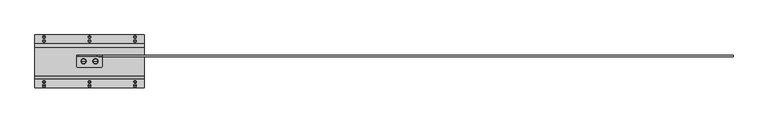
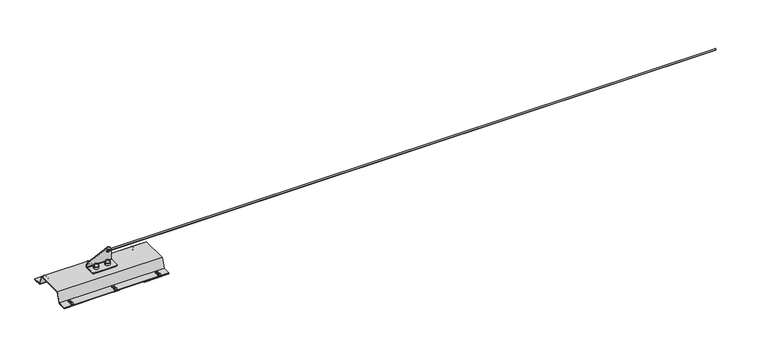
"""IFC4 building model written with IfcOpenShell, lengths in millimetres: proxy geometry."""

from ifc_helpers import new_model, si_unit, point, frame, origin, origin_with_axes, place, context, project, spatial, polyline, circle_curve, ellipse_curve, trimmed, outline, extrude, source, transform, mapped, element, save
from ifc_brep_helpers import plane_surface, cylinder_surface, revolved_surface, extruded_surface, advanced_brep


def specialty_equipment_c94d35ca(model_context):
    return source(origin(), model_context, "Body", "SolidModel", [
        advanced_brep(
        [(30.0, -27.5, 61.0), (17.0, -27.5, 61.0), (43.0, -27.5, 61.0), (41.1288682, -27.5, 74.769106), (18.8711318, -27.5, 74.769106), (30.0, -27.5, 84.5), (41.6048875, -27.5, 74.0453749), (18.3951125, -27.5, 74.0453749), (42.5150381, -27.5, 73.4985013), (17.4849619, -27.5, 73.4985013), (43.0, -27.5, 72.641334), (17.0, -27.5, 72.641334)],
        [
            (0, 1),
            (1, 2, circle_curve(frame((30.0, -27.5, 61.0), z_axis=(0.0, 0.0, -1.0), x_axis=(-1.0, 0.0, 0.0)), 13.0)),
            (2, 0),
            (2, 1, circle_curve(frame((30.0, -27.5, 61.0), z_axis=(0.0, 0.0, -1.0), x_axis=(-1.0, 0.0, 0.0)), 13.0)),
            (3, 4, circle_curve(frame((30.0, -27.5, 74.769106), z_axis=(0.0, 0.0, 1.0), x_axis=(-1.0, 0.0, 0.0)), 11.1288682)),
            (4, 5, circle_curve(frame((30.0, -27.5, 73.2707129), z_axis=(0.0, 1.0, 0.0), x_axis=(1.0, 0.0, 0.0)), 11.2292871)),
            (5, 3, circle_curve(frame((30.0, -27.5, 73.2707129), z_axis=(0.0, 1.0, 0.0), x_axis=(-1.0, 0.0, 0.0)), 11.2292871)),
            (4, 3, circle_curve(frame((30.0, -27.5, 74.769106), z_axis=(0.0, 0.0, 1.0), x_axis=(-1.0, 0.0, 0.0)), 11.1288682)),
            (6, 7, circle_curve(frame((30.0, -27.5, 74.0453749), z_axis=(0.0, 0.0, 1.0), x_axis=(-1.0, 0.0, 0.0)), 11.6048875)),
            (7, 4, circle_curve(frame((17.8800744, -27.5, 74.9025422), z_axis=(0.0, -1.0, 0.0), x_axis=(1.0, 0.0, 0.0)), 1.0)),
            (3, 6, circle_curve(frame((42.1199256, -27.5, 74.9025422), z_axis=(0.0, -1.0, 0.0), x_axis=(-1.0, 0.0, 0.0)), 1.0)),
            (7, 6, circle_curve(frame((30.0, -27.5, 74.0453749), z_axis=(0.0, 0.0, 1.0), x_axis=(-1.0, 0.0, 0.0)), 11.6048875)),
            (8, 9, circle_curve(frame((30.0, -27.5, 73.4985013), z_axis=(0.0, 0.0, 1.0), x_axis=(-1.0, 0.0, 0.0)), 12.5150381)),
            (9, 7),
            (6, 8),
            (9, 8, circle_curve(frame((30.0, -27.5, 73.4985013), z_axis=(0.0, 0.0, 1.0), x_axis=(-1.0, 0.0, 0.0)), 12.5150381)),
            (10, 11, circle_curve(frame((30.0, -27.5, 72.641334), z_axis=(0.0, 0.0, 1.0), x_axis=(-1.0, 0.0, 0.0)), 13.0)),
            (11, 9, circle_curve(frame((18.0, -27.5, 72.641334), z_axis=(0.0, 1.0, 0.0), x_axis=(1.0, 0.0, 0.0)), 1.0)),
            (8, 10, circle_curve(frame((42.0, -27.5, 72.641334), z_axis=(0.0, 1.0, 0.0), x_axis=(-1.0, 0.0, 0.0)), 1.0)),
            (11, 10, circle_curve(frame((30.0, -27.5, 72.641334), z_axis=(0.0, 0.0, 1.0), x_axis=(-1.0, 0.0, 0.0)), 13.0)),
            (1, 11),
            (10, 2),
        ],
        [
            plane_surface(frame((30.0, -27.5, 61.0), z_axis=(0.0, 0.0, -1.0), x_axis=(-1.0, 0.0, 0.0))),
            revolved_surface(trimmed(ellipse_curve(frame((30.0, -27.5, 73.2707129), z_axis=(0.0, -1.0, 0.0), x_axis=(1.0, 0.0, 0.0)), 11.2292871, 11.2292871), [point((30.0, -27.5, 84.5))], [point((18.8711318, -27.5, 74.769106))], True, "CARTESIAN"), (30.0, -27.5, 53.3736575), (0.0, 0.0, -1.0)),
            revolved_surface(trimmed(ellipse_curve(frame((17.8800744, -27.5, 74.9025422), z_axis=(0.0, 1.0, 0.0), x_axis=(1.0, 0.0, 0.0)), 1.0, 1.0), [point((18.8711318, -27.5, 74.769106))], [point((18.3951125, -27.5, 74.0453749))], True, "CARTESIAN"), (30.0, -27.5, 53.3736575), (0.0, 0.0, -1.0)),
            revolved_surface(polyline([(18.3951125, -27.5, 74.0453749), (17.4849619, -27.5, 73.4985013)]), (30.0, -27.5, 53.3736575), (0.0, 0.0, -1.0)),
            revolved_surface(trimmed(ellipse_curve(frame((18.0, -27.5, 72.641334), z_axis=(0.0, -1.0, 0.0), x_axis=(1.0, 0.0, 0.0)), 1.0, 1.0), [point((17.4849619, -27.5, 73.4985013))], [point((17.0, -27.5, 72.641334))], True, "CARTESIAN"), (30.0, -27.5, 53.3736575), (0.0, 0.0, -1.0)),
            cylinder_surface(frame((30.0, -27.5, 53.3736575), z_axis=(0.0, 0.0, -1.0), x_axis=(-1.0, 0.0, 0.0)), 13.0),
        ],
        [
            (0, [[1, 2, 3]]),
            (0, [[-3, 4, -1]]),
            (1, [[5, 6, 7]]),
            (1, [[8, -7, -6]]),
            (2, [[9, 10, -5, 11]]),
            (2, [[12, -11, -8, -10]]),
            (3, [[13, 14, -9, 15]]),
            (3, [[16, -15, -12, -14]]),
            (4, [[17, 18, -13, 19]]),
            (4, [[20, -19, -16, -18]]),
            (5, [[-2, 21, -17, 22]]),
            (5, [[-4, -22, -20, -21]]),
        ],
    ),
        advanced_brep(
        [(-30.0, -27.5, 61.0), (-43.0, -27.5, 61.0), (-17.0, -27.5, 61.0), (-18.8711318, -27.5, 74.769106), (-41.1288682, -27.5, 74.769106), (-30.0, -27.5, 84.5), (-18.3951125, -27.5, 74.0453749), (-41.6048875, -27.5, 74.0453749), (-17.4849619, -27.5, 73.4985013), (-42.5150381, -27.5, 73.4985013), (-17.0, -27.5, 72.641334), (-43.0, -27.5, 72.641334)],
        [
            (0, 1),
            (1, 2, circle_curve(frame((-30.0, -27.5, 61.0), z_axis=(0.0, 0.0, -1.0), x_axis=(-1.0, 0.0, 0.0)), 13.0)),
            (2, 0),
            (2, 1, circle_curve(frame((-30.0, -27.5, 61.0), z_axis=(0.0, 0.0, -1.0), x_axis=(-1.0, 0.0, 0.0)), 13.0)),
            (3, 4, circle_curve(frame((-30.0, -27.5, 74.769106), z_axis=(0.0, 0.0, 1.0), x_axis=(-1.0, 0.0, 0.0)), 11.1288682)),
            (4, 5, circle_curve(frame((-30.0, -27.5, 73.2707129), z_axis=(0.0, 1.0, 0.0), x_axis=(1.0, 0.0, 0.0)), 11.2292871)),
            (5, 3, circle_curve(frame((-30.0, -27.5, 73.2707129), z_axis=(0.0, 1.0, 0.0), x_axis=(-1.0, 0.0, 0.0)), 11.2292871)),
            (4, 3, circle_curve(frame((-30.0, -27.5, 74.769106), z_axis=(0.0, 0.0, 1.0), x_axis=(-1.0, 0.0, 0.0)), 11.1288682)),
            (6, 7, circle_curve(frame((-30.0, -27.5, 74.0453749), z_axis=(0.0, 0.0, 1.0), x_axis=(-1.0, 0.0, 0.0)), 11.6048875)),
            (7, 4, circle_curve(frame((-42.1199256, -27.5, 74.9025422), z_axis=(0.0, -1.0, 0.0), x_axis=(1.0, 0.0, 0.0)), 1.0)),
            (3, 6, circle_curve(frame((-17.8800744, -27.5, 74.9025422), z_axis=(0.0, -1.0, 0.0), x_axis=(-1.0, 0.0, 0.0)), 1.0)),
            (7, 6, circle_curve(frame((-30.0, -27.5, 74.0453749), z_axis=(0.0, 0.0, 1.0), x_axis=(-1.0, 0.0, 0.0)), 11.6048875)),
            (8, 9, circle_curve(frame((-30.0, -27.5, 73.4985013), z_axis=(0.0, 0.0, 1.0), x_axis=(-1.0, 0.0, 0.0)), 12.5150381)),
            (9, 7),
            (6, 8),
            (9, 8, circle_curve(frame((-30.0, -27.5, 73.4985013), z_axis=(0.0, 0.0, 1.0), x_axis=(-1.0, 0.0, 0.0)), 12.5150381)),
            (10, 11, circle_curve(frame((-30.0, -27.5, 72.641334), z_axis=(0.0, 0.0, 1.0), x_axis=(-1.0, 0.0, 0.0)), 13.0)),
            (11, 9, circle_curve(frame((-42.0, -27.5, 72.641334), z_axis=(0.0, 1.0, 0.0), x_axis=(1.0, 0.0, 0.0)), 1.0)),
            (8, 10, circle_curve(frame((-18.0, -27.5, 72.641334), z_axis=(0.0, 1.0, 0.0), x_axis=(-1.0, 0.0, 0.0)), 1.0)),
            (11, 10, circle_curve(frame((-30.0, -27.5, 72.641334), z_axis=(0.0, 0.0, 1.0), x_axis=(-1.0, 0.0, 0.0)), 13.0)),
            (1, 11),
            (10, 2),
        ],
        [
            plane_surface(frame((-30.0, -27.5, 61.0), z_axis=(0.0, 0.0, -1.0), x_axis=(-1.0, 0.0, 0.0))),
            revolved_surface(trimmed(ellipse_curve(frame((-30.0, -27.5, 73.2707129), z_axis=(0.0, -1.0, 0.0), x_axis=(1.0, 0.0, 0.0)), 11.2292871, 11.2292871), [point((-30.0, -27.5, 84.5))], [point((-41.1288682, -27.5, 74.769106))], True, "CARTESIAN"), (-30.0, -27.5, 53.3736575), (0.0, 0.0, -1.0)),
            revolved_surface(trimmed(ellipse_curve(frame((-42.1199256, -27.5, 74.9025422), z_axis=(0.0, 1.0, 0.0), x_axis=(1.0, 0.0, 0.0)), 1.0, 1.0), [point((-41.1288682, -27.5, 74.769106))], [point((-41.6048875, -27.5, 74.0453749))], True, "CARTESIAN"), (-30.0, -27.5, 53.3736575), (0.0, 0.0, -1.0)),
            revolved_surface(polyline([(-41.6048875, -27.5, 74.0453749), (-42.5150381, -27.5, 73.4985013)]), (-30.0, -27.5, 53.3736575), (0.0, 0.0, -1.0)),
            revolved_surface(trimmed(ellipse_curve(frame((-42.0, -27.5, 72.641334), z_axis=(0.0, -1.0, 0.0), x_axis=(1.0, 0.0, 0.0)), 1.0, 1.0), [point((-42.5150381, -27.5, 73.4985013))], [point((-43.0, -27.5, 72.641334))], True, "CARTESIAN"), (-30.0, -27.5, 53.3736575), (0.0, 0.0, -1.0)),
            cylinder_surface(frame((-30.0, -27.5, 53.3736575), z_axis=(0.0, 0.0, -1.0), x_axis=(-1.0, 0.0, 0.0)), 13.0),
        ],
        [
            (0, [[1, 2, 3]]),
            (0, [[-3, 4, -1]]),
            (1, [[5, 6, 7]]),
            (1, [[8, -7, -6]]),
            (2, [[9, 10, -5, 11]]),
            (2, [[12, -11, -8, -10]]),
            (3, [[13, 14, -9, 15]]),
            (3, [[16, -15, -12, -14]]),
            (4, [[17, 18, -13, 19]]),
            (4, [[20, -19, -16, -18]]),
            (5, [[-2, 21, -17, 22]]),
            (5, [[-4, -22, -20, -21]]),
        ],
    ),
        advanced_brep(
        [(65.0, -2.5, 114.5), (39.8285049, -2.5, 130.2288958), (-55.1714951, -2.5, 83.8942999), (-65.0, -2.5, 68.1654041), (-65.0, -2.5, 64.0), (65.0, -2.5, 64.0), (55.0, -2.5, 114.5), (40.0, -2.5, 114.5), (-65.0, 2.5, 68.1654041), (-55.1714951, 2.5, 83.8942999), (39.8285049, 2.5, 130.2288958), (65.0, 2.5, 114.5), (65.0, 2.5, 64.0), (-65.0, 2.5, 64.0), (40.0, 2.5, 114.5), (55.0, 2.5, 114.5), (-65.0, -27.5, 61.0), (-65.0, -52.5, 61.0), (-60.0, -57.5, 61.0), (0.0, -57.5, 61.0), (60.0, -57.5, 61.0), (65.0, -52.5, 61.0), (65.0, -27.5, 61.0), (65.0, -5.5, 61.0), (-65.0, -5.5, 61.0), (65.0, -27.5, 56.0), (65.0, -52.5, 56.0), (60.0, -57.5, 56.0), (0.0, -57.5, 56.0), (-60.0, -57.5, 56.0), (-65.0, -52.5, 56.0), (-65.0, -27.5, 56.0), (-65.0, -5.5, 56.0), (65.0, -5.5, 56.0)],
        [
            (0, 1, circle_curve(frame((47.5, -2.5, 114.5), z_axis=(0.0, -1.0, 0.0), x_axis=(-1.0, 0.0, 0.0)), 17.5)),
            (1, 2),
            (2, 3, circle_curve(frame((-47.5, -2.5, 68.1654041), z_axis=(0.0, -1.0, 0.0), x_axis=(-1.0, 0.0, 0.0)), 17.5)),
            (3, 4),
            (4, 5),
            (5, 0),
            (6, 7, circle_curve(frame((47.5, -2.5, 114.5), z_axis=(0.0, 1.0, 0.0), x_axis=(1.0, 0.0, 0.0)), 7.5)),
            (7, 6, circle_curve(frame((47.5, -2.5, 114.5), z_axis=(0.0, 1.0, 0.0), x_axis=(1.0, 0.0, 0.0)), 7.5)),
            (8, 9, circle_curve(frame((-47.5, 2.5, 68.1654041), z_axis=(0.0, 1.0, 0.0), x_axis=(-1.0, 0.0, 0.0)), 17.5)),
            (9, 10),
            (10, 11, circle_curve(frame((47.5, 2.5, 114.5), z_axis=(0.0, 1.0, 0.0), x_axis=(-1.0, 0.0, 0.0)), 17.5)),
            (11, 12),
            (12, 13),
            (13, 8),
            (14, 15, circle_curve(frame((47.5, 2.5, 114.5), z_axis=(0.0, -1.0, 0.0), x_axis=(1.0, 0.0, 0.0)), 7.5)),
            (15, 14, circle_curve(frame((47.5, 2.5, 114.5), z_axis=(0.0, -1.0, 0.0), x_axis=(1.0, 0.0, 0.0)), 7.5)),
            (16, 17),
            (17, 18, circle_curve(frame((-60.0, -52.5, 61.0), z_axis=(0.0, 0.0, 1.0), x_axis=(0.0, 1.0, 0.0)), 5.0)),
            (18, 19),
            (19, 20),
            (20, 21, circle_curve(frame((60.0, -52.5, 61.0), z_axis=(0.0, 0.0, 1.0), x_axis=(0.0, 1.0, 0.0)), 5.0)),
            (21, 22),
            (22, 23),
            (23, 24),
            (24, 16),
            (25, 26),
            (26, 27, circle_curve(frame((60.0, -52.5, 56.0), z_axis=(0.0, 0.0, -1.0), x_axis=(0.0, 1.0, 0.0)), 5.0)),
            (27, 28),
            (28, 29),
            (29, 30, circle_curve(frame((-60.0, -52.5, 56.0), z_axis=(0.0, 0.0, -1.0), x_axis=(0.0, 1.0, 0.0)), 5.0)),
            (30, 31),
            (31, 32),
            (32, 33),
            (33, 25),
            (16, 31),
            (30, 17),
            (29, 18),
            (28, 19),
            (27, 20),
            (26, 21),
            (25, 22),
            (4, 24, circle_curve(frame((-65.0, -5.5, 64.0), z_axis=(-1.0, 0.0, 0.0), x_axis=(0.0, 1.0, 0.0)), 3.0)),
            (23, 5, circle_curve(frame((65.0, -5.5, 64.0), z_axis=(1.0, 0.0, 0.0), x_axis=(0.0, 1.0, 0.0)), 3.0)),
            (11, 0),
            (33, 12, circle_curve(frame((65.0, -5.5, 64.0), z_axis=(1.0, 0.0, 0.0), x_axis=(0.0, 1.0, 0.0)), 8.0)),
            (10, 1),
            (9, 2),
            (8, 3),
            (13, 32, circle_curve(frame((-65.0, -5.5, 64.0), z_axis=(-1.0, 0.0, 0.0), x_axis=(0.0, 1.0, 0.0)), 8.0)),
            (6, 15),
            (14, 7),
        ],
        [
            plane_surface(frame((65.0, -2.5, 61.0), z_axis=(0.0, -1.0, 0.0), x_axis=(0.0, 0.0, 1.0))),
            plane_surface(frame((65.0, 2.5, 61.0), z_axis=(0.0, 1.0, 0.0), x_axis=(0.0, 0.0, -1.0))),
            plane_surface(frame((-65.0, 2.5, 61.0), z_axis=(0.0, 0.0, 1.0), x_axis=(0.0, -1.0, 0.0))),
            plane_surface(frame((-65.0, 2.5, 56.0), z_axis=(0.0, 0.0, -1.0), x_axis=(0.0, 1.0, 0.0))),
            plane_surface(frame((-65.0, -27.5, 61.0), z_axis=(-1.0, 0.0, 0.0), x_axis=(0.0, 0.0, -1.0))),
            cylinder_surface(frame((-60.0, -52.5, 56.0), z_axis=(0.0, 0.0, 1.0), x_axis=(0.0, 1.0, 0.0)), 5.0),
            plane_surface(frame((-60.0, -57.5, 61.0), z_axis=(0.0, -1.0, 0.0), x_axis=(0.0, 0.0, -1.0))),
            plane_surface(frame((0.0, -57.5, 61.0), z_axis=(0.0, -1.0, 0.0), x_axis=(0.0, 0.0, -1.0))),
            cylinder_surface(frame((60.0, -52.5, 56.0), z_axis=(0.0, 0.0, 1.0), x_axis=(0.0, 1.0, 0.0)), 5.0),
            plane_surface(frame((65.0, -52.5, 61.0), z_axis=(1.0, 0.0, 0.0), x_axis=(0.0, 0.0, -1.0))),
            revolved_surface(polyline([(-65.0, -2.5, 64.0), (65.0, -2.5, 64.0)]), (-65.0, -5.5, 64.0), (-1.0, 0.0, 0.0)),
            plane_surface(frame((65.0, -2.5, 61.0), z_axis=(1.0, 0.0, 0.0), x_axis=(0.0, 1.0, 0.0))),
            cylinder_surface(frame((47.5, 2.5, 114.5), z_axis=(0.0, -1.0, 0.0), x_axis=(-1.0, 0.0, 0.0)), 17.5),
            plane_surface(frame((39.8285049, -2.5, 130.2288958), z_axis=(-0.4383711467890806, 0.0, 0.8987940462991655), x_axis=(0.0, 1.0, 0.0))),
            cylinder_surface(frame((-47.5, 2.5, 68.1654041), z_axis=(0.0, -1.0, 0.0), x_axis=(-1.0, 0.0, 0.0)), 17.5),
            plane_surface(frame((-65.0, -2.5, 68.1654041), z_axis=(-1.0, 0.0, 0.0), x_axis=(0.0, 1.0, 0.0))),
            revolved_surface(polyline([(55.0, -2.5, 114.5), (55.0, 2.5, 114.5)]), (47.5, 2.5, 114.5), (0.0, -1.0, 0.0)),
            cylinder_surface(frame((-65.0, -5.5, 64.0), z_axis=(-1.0, 0.0, 0.0), x_axis=(0.0, 1.0, 0.0)), 8.0),
        ],
        [
            (0, [[1, 2, 3, 4, 5, 6], [7, 8]]),
            (1, [[9, 10, 11, 12, 13, 14], [15, 16]]),
            (2, [[17, 18, 19, 20, 21, 22, 23, 24, 25]]),
            (3, [[26, 27, 28, 29, 30, 31, 32, 33, 34]]),
            (4, [[-17, 35, -31, 36]]),
            (5, [[-18, -36, -30, 37]]),
            (6, [[-19, -37, -29, 38]]),
            (7, [[-20, -38, -28, 39]]),
            (8, [[-21, -39, -27, 40]]),
            (9, [[-22, -40, -26, 41]]),
            (10, [[42, -24, 43, -5]]),
            (11, [[44, -6, -43, -23, -41, -34, 45, -12]]),
            (12, [[-1, -44, -11, 46]]),
            (13, [[-2, -46, -10, 47]]),
            (14, [[-3, -47, -9, 48]]),
            (15, [[-48, -14, 49, -32, -35, -25, -42, -4]]),
            (16, [[50, -15, 51, -7]]),
            (16, [[-50, -8, -51, -16]]),
            (17, [[-13, -45, -33, -49]]),
        ],
    ),
        extrude(outline(polyline([(61.0, 3.0), (42.7695663, 53.0877048), (-97.7695663, 53.0877048), (-116.0, 3.0), (-161.0, 3.0), (-161.0, 6.0), (-118.1006226, 6.0), (-99.870189, 56.0877048), (44.870189, 56.0877048), (63.1006226, 6.0), (106.0, 6.0), (106.0, 3.0), (61.0, 3.0)])), frame((-276.0, 0.0, 0.0), z_axis=(1.0, 0.0, 0.0), x_axis=(0.0, 1.0, 0.0)), (0.0, 0.0, 1.0), 552.0),
        extrude(outline(polyline([(-146.0, 106.0), (-146.0, 61.0), (-276.0, 61.0), (-276.0, 106.0), (-146.0, 106.0)])), origin_with_axes(), (0.0, 0.0, 1.0), 3.0),
        extrude(outline(polyline([(146.0, 106.0), (276.0, 106.0), (276.0, 61.0), (146.0, 61.0), (146.0, 106.0)])), origin_with_axes(), (0.0, 0.0, 1.0), 3.0),
        extrude(outline(polyline([(-146.0, -161.0), (-276.0, -161.0), (-276.0, -116.0), (-146.0, -116.0), (-146.0, -161.0)])), origin_with_axes(), (0.0, 0.0, 1.0), 3.0),
        extrude(outline(polyline([(146.0, -161.0), (146.0, -116.0), (276.0, -116.0), (276.0, -161.0), (146.0, -161.0)])), origin_with_axes(), (0.0, 0.0, 1.0), 3.0),
        extrude(outline(polyline([(0.0, 106.0), (14.1113894, 106.0), (14.1113894, 61.0), (0.0, 61.0), (-14.1113894, 61.0), (-14.1113894, 106.0), (0.0, 106.0)])), origin_with_axes(), (0.0, 0.0, 1.0), 3.0),
        extrude(outline(polyline([(0.0, -161.0), (-14.1113894, -161.0), (-14.1113894, -116.0), (0.0, -116.0), (14.1113894, -116.0), (14.1113894, -161.0), (0.0, -161.0)])), origin_with_axes(), (0.0, 0.0, 1.0), 3.0),
        advanced_brep(
        [(237.2980125, -151.0, 6.0), (222.7019875, -151.0, 6.0), (230.0, -151.0, 6.0), (237.2980125, -151.0, 7.5), (222.7019875, -151.0, 7.5), (233.2980125, -151.0, 11.5), (226.7019875, -151.0, 11.5), (230.0, -151.0, 11.5)],
        [
            (0, 1, circle_curve(frame((230.0, -151.0, 6.0), z_axis=(0.0, 0.0, -1.0), x_axis=(-1.0, 0.0, 0.0)), 7.2980125)),
            (1, 2),
            (2, 0),
            (1, 0, circle_curve(frame((230.0, -151.0, 6.0), z_axis=(0.0, 0.0, -1.0), x_axis=(-1.0, 0.0, 0.0)), 7.2980125)),
            (3, 4, circle_curve(frame((230.0, -151.0, 7.5), z_axis=(0.0, 0.0, -1.0), x_axis=(-1.0, 0.0, 0.0)), 7.2980125)),
            (4, 1),
            (0, 3),
            (4, 3, circle_curve(frame((230.0, -151.0, 7.5), z_axis=(0.0, 0.0, -1.0), x_axis=(-1.0, 0.0, 0.0)), 7.2980125)),
            (5, 6, circle_curve(frame((230.0, -151.0, 11.5), z_axis=(0.0, 0.0, -1.0), x_axis=(-1.0, 0.0, 0.0)), 3.2980125)),
            (6, 4, circle_curve(frame((226.7019875, -151.0, 7.5), z_axis=(0.0, -1.0, 0.0), x_axis=(-1.0, 0.0, 0.0)), 4.0)),
            (3, 5, circle_curve(frame((233.2980125, -151.0, 7.5), z_axis=(0.0, -1.0, 0.0), x_axis=(1.0, 0.0, 0.0)), 4.0)),
            (6, 5, circle_curve(frame((230.0, -151.0, 11.5), z_axis=(0.0, 0.0, -1.0), x_axis=(-1.0, 0.0, 0.0)), 3.2980125)),
            (7, 6),
            (5, 7),
        ],
        [
            plane_surface(frame((230.0, -151.0, 6.0), z_axis=(0.0, 0.0, -1.0), x_axis=(-1.0, 0.0, 0.0))),
            cylinder_surface(frame((230.0, -151.0, -55.0), z_axis=(0.0, 0.0, 1.0), x_axis=(-1.0, 0.0, 0.0)), 7.2980125),
            revolved_surface(trimmed(ellipse_curve(frame((226.7019875, -151.0, 7.5), z_axis=(0.0, 1.0, 0.0), x_axis=(-1.0, 0.0, 0.0)), 4.0, 4.0), [point((222.7019875, -151.0, 7.5))], [point((226.7019875, -151.0, 11.5))], True, "CARTESIAN"), (230.0, -151.0, -55.0), (0.0, 0.0, 1.0)),
            plane_surface(frame((230.0, -151.0, 11.5), z_axis=(0.0, 0.0, 1.0), x_axis=(-1.0, 0.0, 0.0))),
        ],
        [
            (0, [[1, 2, 3]]),
            (0, [[4, -3, -2]]),
            (1, [[5, 6, -1, 7]]),
            (1, [[8, -7, -4, -6]]),
            (2, [[9, 10, -5, 11]]),
            (2, [[12, -11, -8, -10]]),
            (3, [[13, -9, 14]]),
            (3, [[-14, -12, -13]]),
        ],
    ),
        advanced_brep(
        [(7.2980125, -151.0, 6.0), (-7.2980125, -151.0, 6.0), (0.0, -151.0, 6.0), (7.2980125, -151.0, 7.5), (-7.2980125, -151.0, 7.5), (3.2980125, -151.0, 11.5), (-3.2980125, -151.0, 11.5), (0.0, -151.0, 11.5)],
        [
            (0, 1, circle_curve(frame((0.0, -151.0, 6.0), z_axis=(0.0, 0.0, -1.0), x_axis=(-1.0, 0.0, 0.0)), 7.2980125)),
            (1, 2),
            (2, 0),
            (1, 0, circle_curve(frame((0.0, -151.0, 6.0), z_axis=(0.0, 0.0, -1.0), x_axis=(-1.0, 0.0, 0.0)), 7.2980125)),
            (3, 4, circle_curve(frame((0.0, -151.0, 7.5), z_axis=(0.0, 0.0, -1.0), x_axis=(-1.0, 0.0, 0.0)), 7.2980125)),
            (4, 1),
            (0, 3),
            (4, 3, circle_curve(frame((0.0, -151.0, 7.5), z_axis=(0.0, 0.0, -1.0), x_axis=(-1.0, 0.0, 0.0)), 7.2980125)),
            (5, 6, circle_curve(frame((0.0, -151.0, 11.5), z_axis=(0.0, 0.0, -1.0), x_axis=(-1.0, 0.0, 0.0)), 3.2980125)),
            (6, 4, circle_curve(frame((-3.2980125, -151.0, 7.5), z_axis=(0.0, -1.0, 0.0), x_axis=(-1.0, 0.0, 0.0)), 4.0)),
            (3, 5, circle_curve(frame((3.2980125, -151.0, 7.5), z_axis=(0.0, -1.0, 0.0), x_axis=(1.0, 0.0, 0.0)), 4.0)),
            (6, 5, circle_curve(frame((0.0, -151.0, 11.5), z_axis=(0.0, 0.0, -1.0), x_axis=(-1.0, 0.0, 0.0)), 3.2980125)),
            (7, 6),
            (5, 7),
        ],
        [
            plane_surface(frame((0.0, -151.0, 6.0), z_axis=(0.0, 0.0, -1.0), x_axis=(-1.0, 0.0, 0.0))),
            cylinder_surface(frame((0.0, -151.0, -55.0), z_axis=(0.0, 0.0, 1.0), x_axis=(-1.0, 0.0, 0.0)), 7.2980125),
            revolved_surface(trimmed(ellipse_curve(frame((-3.2980125, -151.0, 7.5), z_axis=(0.0, 1.0, 0.0), x_axis=(-1.0, 0.0, 0.0)), 4.0, 4.0), [point((-7.2980125, -151.0, 7.5))], [point((-3.2980125, -151.0, 11.5))], True, "CARTESIAN"), (0.0, -151.0, -55.0), (0.0, 0.0, 1.0)),
            plane_surface(frame((0.0, -151.0, 11.5), z_axis=(0.0, 0.0, 1.0), x_axis=(-1.0, 0.0, 0.0))),
        ],
        [
            (0, [[1, 2, 3]]),
            (0, [[4, -3, -2]]),
            (1, [[5, 6, -1, 7]]),
            (1, [[8, -7, -4, -6]]),
            (2, [[9, 10, -5, 11]]),
            (2, [[12, -11, -8, -10]]),
            (3, [[13, -9, 14]]),
            (3, [[-14, -12, -13]]),
        ],
    ),
        advanced_brep(
        [(-222.7019875, -151.0, 6.0), (-237.2980125, -151.0, 6.0), (-230.0, -151.0, 6.0), (-222.7019875, -151.0, 7.5), (-237.2980125, -151.0, 7.5), (-226.7019875, -151.0, 11.5), (-233.2980125, -151.0, 11.5), (-230.0, -151.0, 11.5)],
        [
            (0, 1, circle_curve(frame((-230.0, -151.0, 6.0), z_axis=(0.0, 0.0, -1.0), x_axis=(-1.0, 0.0, 0.0)), 7.2980125)),
            (1, 2),
            (2, 0),
            (1, 0, circle_curve(frame((-230.0, -151.0, 6.0), z_axis=(0.0, 0.0, -1.0), x_axis=(-1.0, 0.0, 0.0)), 7.2980125)),
            (3, 4, circle_curve(frame((-230.0, -151.0, 7.5), z_axis=(0.0, 0.0, -1.0), x_axis=(-1.0, 0.0, 0.0)), 7.2980125)),
            (4, 1),
            (0, 3),
            (4, 3, circle_curve(frame((-230.0, -151.0, 7.5), z_axis=(0.0, 0.0, -1.0), x_axis=(-1.0, 0.0, 0.0)), 7.2980125)),
            (5, 6, circle_curve(frame((-230.0, -151.0, 11.5), z_axis=(0.0, 0.0, -1.0), x_axis=(-1.0, 0.0, 0.0)), 3.2980125)),
            (6, 4, circle_curve(frame((-233.2980125, -151.0, 7.5), z_axis=(0.0, -1.0, 0.0), x_axis=(-1.0, 0.0, 0.0)), 4.0)),
            (3, 5, circle_curve(frame((-226.7019875, -151.0, 7.5), z_axis=(0.0, -1.0, 0.0), x_axis=(1.0, 0.0, 0.0)), 4.0)),
            (6, 5, circle_curve(frame((-230.0, -151.0, 11.5), z_axis=(0.0, 0.0, -1.0), x_axis=(-1.0, 0.0, 0.0)), 3.2980125)),
            (7, 6),
            (5, 7),
        ],
        [
            plane_surface(frame((-230.0, -151.0, 6.0), z_axis=(0.0, 0.0, -1.0), x_axis=(-1.0, 0.0, 0.0))),
            cylinder_surface(frame((-230.0, -151.0, -55.0), z_axis=(0.0, 0.0, 1.0), x_axis=(-1.0, 0.0, 0.0)), 7.2980125),
            revolved_surface(trimmed(ellipse_curve(frame((-233.2980125, -151.0, 7.5), z_axis=(0.0, 1.0, 0.0), x_axis=(-1.0, 0.0, 0.0)), 4.0, 4.0), [point((-237.2980125, -151.0, 7.5))], [point((-233.2980125, -151.0, 11.5))], True, "CARTESIAN"), (-230.0, -151.0, -55.0), (0.0, 0.0, 1.0)),
            plane_surface(frame((-230.0, -151.0, 11.5), z_axis=(0.0, 0.0, 1.0), x_axis=(-1.0, 0.0, 0.0))),
        ],
        [
            (0, [[1, 2, 3]]),
            (0, [[4, -3, -2]]),
            (1, [[5, 6, -1, 7]]),
            (1, [[8, -7, -4, -6]]),
            (2, [[9, 10, -5, 11]]),
            (2, [[12, -11, -8, -10]]),
            (3, [[13, -9, 14]]),
            (3, [[-14, -12, -13]]),
        ],
    ),
        advanced_brep(
        [(222.7019875, 76.0, 6.0), (237.2980125, 76.0, 6.0), (230.0, 76.0, 6.0), (222.7019875, 76.0, 7.5), (237.2980125, 76.0, 7.5), (226.7019875, 76.0, 11.5), (233.2980125, 76.0, 11.5), (230.0, 76.0, 11.5)],
        [
            (0, 1, circle_curve(frame((230.0, 76.0, 6.0), z_axis=(0.0, 0.0, -1.0), x_axis=(1.0, 0.0, 0.0)), 7.2980125)),
            (1, 2),
            (2, 0),
            (1, 0, circle_curve(frame((230.0, 76.0, 6.0), z_axis=(0.0, 0.0, -1.0), x_axis=(1.0, 0.0, 0.0)), 7.2980125)),
            (3, 4, circle_curve(frame((230.0, 76.0, 7.5), z_axis=(0.0, 0.0, -1.0), x_axis=(1.0, 0.0, 0.0)), 7.2980125)),
            (4, 1),
            (0, 3),
            (4, 3, circle_curve(frame((230.0, 76.0, 7.5), z_axis=(0.0, 0.0, -1.0), x_axis=(1.0, 0.0, 0.0)), 7.2980125)),
            (5, 6, circle_curve(frame((230.0, 76.0, 11.5), z_axis=(0.0, 0.0, -1.0), x_axis=(1.0, 0.0, 0.0)), 3.2980125)),
            (6, 4, circle_curve(frame((233.2980125, 76.0, 7.5), z_axis=(0.0, 1.0, 0.0), x_axis=(-1.0, 0.0, 0.0)), 4.0)),
            (3, 5, circle_curve(frame((226.7019875, 76.0, 7.5), z_axis=(0.0, 1.0, 0.0), x_axis=(1.0, 0.0, 0.0)), 4.0)),
            (6, 5, circle_curve(frame((230.0, 76.0, 11.5), z_axis=(0.0, 0.0, -1.0), x_axis=(1.0, 0.0, 0.0)), 3.2980125)),
            (7, 6),
            (5, 7),
        ],
        [
            plane_surface(frame((230.0, 76.0, 6.0), z_axis=(0.0, 0.0, -1.0), x_axis=(1.0, 0.0, 0.0))),
            cylinder_surface(frame((230.0, 76.0, -55.0), z_axis=(0.0, 0.0, 1.0), x_axis=(1.0, 0.0, 0.0)), 7.2980125),
            revolved_surface(trimmed(ellipse_curve(frame((233.2980125, 76.0, 7.5), z_axis=(0.0, -1.0, 0.0), x_axis=(-1.0, 0.0, 0.0)), 4.0, 4.0), [point((237.2980125, 76.0, 7.5))], [point((233.2980125, 76.0, 11.5))], True, "CARTESIAN"), (230.0, 76.0, -55.0), (0.0, 0.0, 1.0)),
            plane_surface(frame((230.0, 76.0, 11.5), z_axis=(0.0, 0.0, 1.0), x_axis=(1.0, 0.0, 0.0))),
        ],
        [
            (0, [[1, 2, 3]]),
            (0, [[4, -3, -2]]),
            (1, [[5, 6, -1, 7]]),
            (1, [[8, -7, -4, -6]]),
            (2, [[9, 10, -5, 11]]),
            (2, [[12, -11, -8, -10]]),
            (3, [[13, -9, 14]]),
            (3, [[-14, -12, -13]]),
        ],
    ),
        advanced_brep(
        [(-7.2980125, 76.0, 6.0), (7.2980125, 76.0, 6.0), (0.0, 76.0, 6.0), (-7.2980125, 76.0, 7.5), (7.2980125, 76.0, 7.5), (-3.2980125, 76.0, 11.5), (3.2980125, 76.0, 11.5), (0.0, 76.0, 11.5)],
        [
            (0, 1, circle_curve(frame((0.0, 76.0, 6.0), z_axis=(0.0, 0.0, -1.0), x_axis=(1.0, 0.0, 0.0)), 7.2980125)),
            (1, 2),
            (2, 0),
            (1, 0, circle_curve(frame((0.0, 76.0, 6.0), z_axis=(0.0, 0.0, -1.0), x_axis=(1.0, 0.0, 0.0)), 7.2980125)),
            (3, 4, circle_curve(frame((0.0, 76.0, 7.5), z_axis=(0.0, 0.0, -1.0), x_axis=(1.0, 0.0, 0.0)), 7.2980125)),
            (4, 1),
            (0, 3),
            (4, 3, circle_curve(frame((0.0, 76.0, 7.5), z_axis=(0.0, 0.0, -1.0), x_axis=(1.0, 0.0, 0.0)), 7.2980125)),
            (5, 6, circle_curve(frame((0.0, 76.0, 11.5), z_axis=(0.0, 0.0, -1.0), x_axis=(1.0, 0.0, 0.0)), 3.2980125)),
            (6, 4, circle_curve(frame((3.2980125, 76.0, 7.5), z_axis=(0.0, 1.0, 0.0), x_axis=(-1.0, 0.0, 0.0)), 4.0)),
            (3, 5, circle_curve(frame((-3.2980125, 76.0, 7.5), z_axis=(0.0, 1.0, 0.0), x_axis=(1.0, 0.0, 0.0)), 4.0)),
            (6, 5, circle_curve(frame((0.0, 76.0, 11.5), z_axis=(0.0, 0.0, -1.0), x_axis=(1.0, 0.0, 0.0)), 3.2980125)),
            (7, 6),
            (5, 7),
        ],
        [
            plane_surface(frame((0.0, 76.0, 6.0), z_axis=(0.0, 0.0, -1.0), x_axis=(1.0, 0.0, 0.0))),
            cylinder_surface(frame((0.0, 76.0, -55.0), z_axis=(0.0, 0.0, 1.0), x_axis=(1.0, 0.0, 0.0)), 7.2980125),
            revolved_surface(trimmed(ellipse_curve(frame((3.2980125, 76.0, 7.5), z_axis=(0.0, -1.0, 0.0), x_axis=(-1.0, 0.0, 0.0)), 4.0, 4.0), [point((7.2980125, 76.0, 7.5))], [point((3.2980125, 76.0, 11.5))], True, "CARTESIAN"), (0.0, 76.0, -55.0), (0.0, 0.0, 1.0)),
            plane_surface(frame((0.0, 76.0, 11.5), z_axis=(0.0, 0.0, 1.0), x_axis=(1.0, 0.0, 0.0))),
        ],
        [
            (0, [[1, 2, 3]]),
            (0, [[4, -3, -2]]),
            (1, [[5, 6, -1, 7]]),
            (1, [[8, -7, -4, -6]]),
            (2, [[9, 10, -5, 11]]),
            (2, [[12, -11, -8, -10]]),
            (3, [[13, -9, 14]]),
            (3, [[-14, -12, -13]]),
        ],
    ),
        advanced_brep(
        [(-237.2980125, 76.0, 6.0), (-222.7019875, 76.0, 6.0), (-230.0, 76.0, 6.0), (-237.2980125, 76.0, 7.5), (-222.7019875, 76.0, 7.5), (-233.2980125, 76.0, 11.5), (-226.7019875, 76.0, 11.5), (-230.0, 76.0, 11.5)],
        [
            (0, 1, circle_curve(frame((-230.0, 76.0, 6.0), z_axis=(0.0, 0.0, -1.0), x_axis=(1.0, 0.0, 0.0)), 7.2980125)),
            (1, 2),
            (2, 0),
            (1, 0, circle_curve(frame((-230.0, 76.0, 6.0), z_axis=(0.0, 0.0, -1.0), x_axis=(1.0, 0.0, 0.0)), 7.2980125)),
            (3, 4, circle_curve(frame((-230.0, 76.0, 7.5), z_axis=(0.0, 0.0, -1.0), x_axis=(1.0, 0.0, 0.0)), 7.2980125)),
            (4, 1),
            (0, 3),
            (4, 3, circle_curve(frame((-230.0, 76.0, 7.5), z_axis=(0.0, 0.0, -1.0), x_axis=(1.0, 0.0, 0.0)), 7.2980125)),
            (5, 6, circle_curve(frame((-230.0, 76.0, 11.5), z_axis=(0.0, 0.0, -1.0), x_axis=(1.0, 0.0, 0.0)), 3.2980125)),
            (6, 4, circle_curve(frame((-226.7019875, 76.0, 7.5), z_axis=(0.0, 1.0, 0.0), x_axis=(-1.0, 0.0, 0.0)), 4.0)),
            (3, 5, circle_curve(frame((-233.2980125, 76.0, 7.5), z_axis=(0.0, 1.0, 0.0), x_axis=(1.0, 0.0, 0.0)), 4.0)),
            (6, 5, circle_curve(frame((-230.0, 76.0, 11.5), z_axis=(0.0, 0.0, -1.0), x_axis=(1.0, 0.0, 0.0)), 3.2980125)),
            (7, 6),
            (5, 7),
        ],
        [
            plane_surface(frame((-230.0, 76.0, 6.0), z_axis=(0.0, 0.0, -1.0), x_axis=(1.0, 0.0, 0.0))),
            cylinder_surface(frame((-230.0, 76.0, -55.0), z_axis=(0.0, 0.0, 1.0), x_axis=(1.0, 0.0, 0.0)), 7.2980125),
            revolved_surface(trimmed(ellipse_curve(frame((-226.7019875, 76.0, 7.5), z_axis=(0.0, -1.0, 0.0), x_axis=(-1.0, 0.0, 0.0)), 4.0, 4.0), [point((-222.7019875, 76.0, 7.5))], [point((-226.7019875, 76.0, 11.5))], True, "CARTESIAN"), (-230.0, 76.0, -55.0), (0.0, 0.0, 1.0)),
            plane_surface(frame((-230.0, 76.0, 11.5), z_axis=(0.0, 0.0, 1.0), x_axis=(1.0, 0.0, 0.0))),
        ],
        [
            (0, [[1, 2, 3]]),
            (0, [[4, -3, -2]]),
            (1, [[5, 6, -1, 7]]),
            (1, [[8, -7, -4, -6]]),
            (2, [[9, 10, -5, 11]]),
            (2, [[12, -11, -8, -10]]),
            (3, [[13, -9, 14]]),
            (3, [[-14, -12, -13]]),
        ],
    ),
        advanced_brep(
        [(222.7019875, 96.0, 6.0), (237.2980125, 96.0, 6.0), (230.0, 96.0, 6.0), (222.7019875, 96.0, 7.5), (237.2980125, 96.0, 7.5), (226.7019875, 96.0, 11.5), (233.2980125, 96.0, 11.5), (230.0, 96.0, 11.5)],
        [
            (0, 1, circle_curve(frame((230.0, 96.0, 6.0), z_axis=(0.0, 0.0, -1.0), x_axis=(1.0, 0.0, 0.0)), 7.2980125)),
            (1, 2),
            (2, 0),
            (1, 0, circle_curve(frame((230.0, 96.0, 6.0), z_axis=(0.0, 0.0, -1.0), x_axis=(1.0, 0.0, 0.0)), 7.2980125)),
            (3, 4, circle_curve(frame((230.0, 96.0, 7.5), z_axis=(0.0, 0.0, -1.0), x_axis=(1.0, 0.0, 0.0)), 7.2980125)),
            (4, 1),
            (0, 3),
            (4, 3, circle_curve(frame((230.0, 96.0, 7.5), z_axis=(0.0, 0.0, -1.0), x_axis=(1.0, 0.0, 0.0)), 7.2980125)),
            (5, 6, circle_curve(frame((230.0, 96.0, 11.5), z_axis=(0.0, 0.0, -1.0), x_axis=(1.0, 0.0, 0.0)), 3.2980125)),
            (6, 4, circle_curve(frame((233.2980125, 96.0, 7.5), z_axis=(0.0, 1.0, 0.0), x_axis=(-1.0, 0.0, 0.0)), 4.0)),
            (3, 5, circle_curve(frame((226.7019875, 96.0, 7.5), z_axis=(0.0, 1.0, 0.0), x_axis=(1.0, 0.0, 0.0)), 4.0)),
            (6, 5, circle_curve(frame((230.0, 96.0, 11.5), z_axis=(0.0, 0.0, -1.0), x_axis=(1.0, 0.0, 0.0)), 3.2980125)),
            (7, 6),
            (5, 7),
        ],
        [
            plane_surface(frame((230.0, 96.0, 6.0), z_axis=(0.0, 0.0, -1.0), x_axis=(1.0, 0.0, 0.0))),
            cylinder_surface(frame((230.0, 96.0, -55.0), z_axis=(0.0, 0.0, 1.0), x_axis=(1.0, 0.0, 0.0)), 7.2980125),
            revolved_surface(trimmed(ellipse_curve(frame((233.2980125, 96.0, 7.5), z_axis=(0.0, -1.0, 0.0), x_axis=(-1.0, 0.0, 0.0)), 4.0, 4.0), [point((237.2980125, 96.0, 7.5))], [point((233.2980125, 96.0, 11.5))], True, "CARTESIAN"), (230.0, 96.0, -55.0), (0.0, 0.0, 1.0)),
            plane_surface(frame((230.0, 96.0, 11.5), z_axis=(0.0, 0.0, 1.0), x_axis=(1.0, 0.0, 0.0))),
        ],
        [
            (0, [[1, 2, 3]]),
            (0, [[4, -3, -2]]),
            (1, [[5, 6, -1, 7]]),
            (1, [[8, -7, -4, -6]]),
            (2, [[9, 10, -5, 11]]),
            (2, [[12, -11, -8, -10]]),
            (3, [[13, -9, 14]]),
            (3, [[-14, -12, -13]]),
        ],
    ),
        advanced_brep(
        [(-7.2980125, 96.0, 6.0), (7.2980125, 96.0, 6.0), (0.0, 96.0, 6.0), (-7.2980125, 96.0, 7.5), (7.2980125, 96.0, 7.5), (-3.2980125, 96.0, 11.5), (3.2980125, 96.0, 11.5), (0.0, 96.0, 11.5)],
        [
            (0, 1, circle_curve(frame((0.0, 96.0, 6.0), z_axis=(0.0, 0.0, -1.0), x_axis=(1.0, 0.0, 0.0)), 7.2980125)),
            (1, 2),
            (2, 0),
            (1, 0, circle_curve(frame((0.0, 96.0, 6.0), z_axis=(0.0, 0.0, -1.0), x_axis=(1.0, 0.0, 0.0)), 7.2980125)),
            (3, 4, circle_curve(frame((0.0, 96.0, 7.5), z_axis=(0.0, 0.0, -1.0), x_axis=(1.0, 0.0, 0.0)), 7.2980125)),
            (4, 1),
            (0, 3),
            (4, 3, circle_curve(frame((0.0, 96.0, 7.5), z_axis=(0.0, 0.0, -1.0), x_axis=(1.0, 0.0, 0.0)), 7.2980125)),
            (5, 6, circle_curve(frame((0.0, 96.0, 11.5), z_axis=(0.0, 0.0, -1.0), x_axis=(1.0, 0.0, 0.0)), 3.2980125)),
            (6, 4, circle_curve(frame((3.2980125, 96.0, 7.5), z_axis=(0.0, 1.0, 0.0), x_axis=(-1.0, 0.0, 0.0)), 4.0)),
            (3, 5, circle_curve(frame((-3.2980125, 96.0, 7.5), z_axis=(0.0, 1.0, 0.0), x_axis=(1.0, 0.0, 0.0)), 4.0)),
            (6, 5, circle_curve(frame((0.0, 96.0, 11.5), z_axis=(0.0, 0.0, -1.0), x_axis=(1.0, 0.0, 0.0)), 3.2980125)),
            (7, 6),
            (5, 7),
        ],
        [
            plane_surface(frame((0.0, 96.0, 6.0), z_axis=(0.0, 0.0, -1.0), x_axis=(1.0, 0.0, 0.0))),
            cylinder_surface(frame((0.0, 96.0, -55.0), z_axis=(0.0, 0.0, 1.0), x_axis=(1.0, 0.0, 0.0)), 7.2980125),
            revolved_surface(trimmed(ellipse_curve(frame((3.2980125, 96.0, 7.5), z_axis=(0.0, -1.0, 0.0), x_axis=(-1.0, 0.0, 0.0)), 4.0, 4.0), [point((7.2980125, 96.0, 7.5))], [point((3.2980125, 96.0, 11.5))], True, "CARTESIAN"), (0.0, 96.0, -55.0), (0.0, 0.0, 1.0)),
            plane_surface(frame((0.0, 96.0, 11.5), z_axis=(0.0, 0.0, 1.0), x_axis=(1.0, 0.0, 0.0))),
        ],
        [
            (0, [[1, 2, 3]]),
            (0, [[4, -3, -2]]),
            (1, [[5, 6, -1, 7]]),
            (1, [[8, -7, -4, -6]]),
            (2, [[9, 10, -5, 11]]),
            (2, [[12, -11, -8, -10]]),
            (3, [[13, -9, 14]]),
            (3, [[-14, -12, -13]]),
        ],
    ),
        advanced_brep(
        [(-237.2980125, 96.0, 6.0), (-222.7019875, 96.0, 6.0), (-230.0, 96.0, 6.0), (-237.2980125, 96.0, 7.5), (-222.7019875, 96.0, 7.5), (-233.2980125, 96.0, 11.5), (-226.7019875, 96.0, 11.5), (-230.0, 96.0, 11.5)],
        [
            (0, 1, circle_curve(frame((-230.0, 96.0, 6.0), z_axis=(0.0, 0.0, -1.0), x_axis=(1.0, 0.0, 0.0)), 7.2980125)),
            (1, 2),
            (2, 0),
            (1, 0, circle_curve(frame((-230.0, 96.0, 6.0), z_axis=(0.0, 0.0, -1.0), x_axis=(1.0, 0.0, 0.0)), 7.2980125)),
            (3, 4, circle_curve(frame((-230.0, 96.0, 7.5), z_axis=(0.0, 0.0, -1.0), x_axis=(1.0, 0.0, 0.0)), 7.2980125)),
            (4, 1),
            (0, 3),
            (4, 3, circle_curve(frame((-230.0, 96.0, 7.5), z_axis=(0.0, 0.0, -1.0), x_axis=(1.0, 0.0, 0.0)), 7.2980125)),
            (5, 6, circle_curve(frame((-230.0, 96.0, 11.5), z_axis=(0.0, 0.0, -1.0), x_axis=(1.0, 0.0, 0.0)), 3.2980125)),
            (6, 4, circle_curve(frame((-226.7019875, 96.0, 7.5), z_axis=(0.0, 1.0, 0.0), x_axis=(-1.0, 0.0, 0.0)), 4.0)),
            (3, 5, circle_curve(frame((-233.2980125, 96.0, 7.5), z_axis=(0.0, 1.0, 0.0), x_axis=(1.0, 0.0, 0.0)), 4.0)),
            (6, 5, circle_curve(frame((-230.0, 96.0, 11.5), z_axis=(0.0, 0.0, -1.0), x_axis=(1.0, 0.0, 0.0)), 3.2980125)),
            (7, 6),
            (5, 7),
        ],
        [
            plane_surface(frame((-230.0, 96.0, 6.0), z_axis=(0.0, 0.0, -1.0), x_axis=(1.0, 0.0, 0.0))),
            cylinder_surface(frame((-230.0, 96.0, -55.0), z_axis=(0.0, 0.0, 1.0), x_axis=(1.0, 0.0, 0.0)), 7.2980125),
            revolved_surface(trimmed(ellipse_curve(frame((-226.7019875, 96.0, 7.5), z_axis=(0.0, -1.0, 0.0), x_axis=(-1.0, 0.0, 0.0)), 4.0, 4.0), [point((-222.7019875, 96.0, 7.5))], [point((-226.7019875, 96.0, 11.5))], True, "CARTESIAN"), (-230.0, 96.0, -55.0), (0.0, 0.0, 1.0)),
            plane_surface(frame((-230.0, 96.0, 11.5), z_axis=(0.0, 0.0, 1.0), x_axis=(1.0, 0.0, 0.0))),
        ],
        [
            (0, [[1, 2, 3]]),
            (0, [[4, -3, -2]]),
            (1, [[5, 6, -1, 7]]),
            (1, [[8, -7, -4, -6]]),
            (2, [[9, 10, -5, 11]]),
            (2, [[12, -11, -8, -10]]),
            (3, [[13, -9, 14]]),
            (3, [[-14, -12, -13]]),
        ],
    ),
        advanced_brep(
        [(237.2845807, -131.0, 6.0), (222.7154193, -131.0, 6.0), (230.0, -131.0, 6.0), (235.7845807, -131.0, 7.5), (224.2154193, -131.0, 7.5), (230.0, -131.0, 7.5)],
        [
            (0, 1, circle_curve(frame((230.0, -131.0, 6.0), z_axis=(0.0, 0.0, -1.0), x_axis=(-1.0, 0.0, 0.0)), 7.2845807)),
            (1, 2),
            (2, 0),
            (1, 0, circle_curve(frame((230.0, -131.0, 6.0), z_axis=(0.0, 0.0, -1.0), x_axis=(-1.0, 0.0, 0.0)), 7.2845807)),
            (3, 4, circle_curve(frame((230.0, -131.0, 7.5), z_axis=(0.0, 0.0, -1.0), x_axis=(-1.0, 0.0, 0.0)), 5.7845807)),
            (4, 1, circle_curve(frame((224.2154193, -131.0, 6.0), z_axis=(0.0, -1.0, 0.0), x_axis=(-1.0, 0.0, 0.0)), 1.5)),
            (0, 3, circle_curve(frame((235.7845807, -131.0, 6.0), z_axis=(0.0, -1.0, 0.0), x_axis=(1.0, 0.0, 0.0)), 1.5)),
            (4, 3, circle_curve(frame((230.0, -131.0, 7.5), z_axis=(0.0, 0.0, -1.0), x_axis=(-1.0, 0.0, 0.0)), 5.7845807)),
            (5, 4),
            (3, 5),
        ],
        [
            plane_surface(frame((230.0, -131.0, 6.0), z_axis=(0.0, 0.0, -1.0), x_axis=(-1.0, 0.0, 0.0))),
            revolved_surface(trimmed(ellipse_curve(frame((224.2154193, -131.0, 6.0), z_axis=(0.0, 1.0, 0.0), x_axis=(-1.0, 0.0, 0.0)), 1.5, 1.5), [point((222.7154193, -131.0, 6.0))], [point((224.2154193, -131.0, 7.5))], True, "CARTESIAN"), (230.0, -131.0, -55.0), (0.0, 0.0, 1.0)),
            plane_surface(frame((230.0, -131.0, 7.5), z_axis=(0.0, 0.0, 1.0), x_axis=(-1.0, 0.0, 0.0))),
        ],
        [
            (0, [[1, 2, 3]]),
            (0, [[4, -3, -2]]),
            (1, [[5, 6, -1, 7]]),
            (1, [[8, -7, -4, -6]]),
            (2, [[9, -5, 10]]),
            (2, [[-10, -8, -9]]),
        ],
    ),
        advanced_brep(
        [(7.2845807, -131.0, 6.0), (-7.2845807, -131.0, 6.0), (0.0, -131.0, 6.0), (0.0, -131.0, 7.5), (-5.7845807, -131.0, 7.5), (5.7845807, -131.0, 7.5)],
        [
            (0, 1, circle_curve(frame((0.0, -131.0, 6.0), z_axis=(0.0, 0.0, -1.0), x_axis=(-1.0, 0.0, 0.0)), 7.2845807)),
            (1, 2),
            (2, 0),
            (1, 0, circle_curve(frame((0.0, -131.0, 6.0), z_axis=(0.0, 0.0, -1.0), x_axis=(-1.0, 0.0, 0.0)), 7.2845807)),
            (3, 4),
            (4, 5, circle_curve(frame((0.0, -131.0, 7.5), z_axis=(0.0, 0.0, 1.0), x_axis=(-1.0, 0.0, 0.0)), 5.7845807)),
            (5, 3),
            (5, 4, circle_curve(frame((0.0, -131.0, 7.5), z_axis=(0.0, 0.0, 1.0), x_axis=(-1.0, 0.0, 0.0)), 5.7845807)),
            (4, 1, circle_curve(frame((-5.7845807, -131.0, 6.0), z_axis=(0.0, -1.0, 0.0), x_axis=(-1.0, 0.0, 0.0)), 1.5)),
            (0, 5, circle_curve(frame((5.7845807, -131.0, 6.0), z_axis=(0.0, -1.0, 0.0), x_axis=(1.0, 0.0, 0.0)), 1.5)),
        ],
        [
            plane_surface(frame((0.0, -131.0, 6.0), z_axis=(0.0, 0.0, -1.0), x_axis=(-1.0, 0.0, 0.0))),
            plane_surface(frame((0.0, -131.0, 7.5), z_axis=(0.0, 0.0, 1.0), x_axis=(-1.0, 0.0, 0.0))),
            revolved_surface(trimmed(ellipse_curve(frame((-5.7845807, -131.0, 6.0), z_axis=(0.0, 1.0, 0.0), x_axis=(-1.0, 0.0, 0.0)), 1.5, 1.5), [point((-7.2845807, -131.0, 6.0))], [point((-5.7845807, -131.0, 7.5))], True, "CARTESIAN"), (0.0, -131.0, -55.0), (0.0, 0.0, 1.0)),
        ],
        [
            (0, [[1, 2, 3]]),
            (0, [[4, -3, -2]]),
            (1, [[5, 6, 7]]),
            (1, [[-7, 8, -5]]),
            (2, [[-6, 9, -1, 10]]),
            (2, [[-8, -10, -4, -9]]),
        ],
    ),
        advanced_brep(
        [(-222.7154193, -131.0, 6.0), (-237.2845807, -131.0, 6.0), (-230.0, -131.0, 6.0), (-224.2154193, -131.0, 7.5), (-235.7845807, -131.0, 7.5), (-230.0, -131.0, 7.5)],
        [
            (0, 1, circle_curve(frame((-230.0, -131.0, 6.0), z_axis=(0.0, 0.0, -1.0), x_axis=(-1.0, 0.0, 0.0)), 7.2845807)),
            (1, 2),
            (2, 0),
            (1, 0, circle_curve(frame((-230.0, -131.0, 6.0), z_axis=(0.0, 0.0, -1.0), x_axis=(-1.0, 0.0, 0.0)), 7.2845807)),
            (3, 4, circle_curve(frame((-230.0, -131.0, 7.5), z_axis=(0.0, 0.0, -1.0), x_axis=(-1.0, 0.0, 0.0)), 5.7845807)),
            (4, 1, circle_curve(frame((-235.7845807, -131.0, 6.0), z_axis=(0.0, -1.0, 0.0), x_axis=(-1.0, 0.0, 0.0)), 1.5)),
            (0, 3, circle_curve(frame((-224.2154193, -131.0, 6.0), z_axis=(0.0, -1.0, 0.0), x_axis=(1.0, 0.0, 0.0)), 1.5)),
            (4, 3, circle_curve(frame((-230.0, -131.0, 7.5), z_axis=(0.0, 0.0, -1.0), x_axis=(-1.0, 0.0, 0.0)), 5.7845807)),
            (5, 4),
            (3, 5),
        ],
        [
            plane_surface(frame((-230.0, -131.0, 6.0), z_axis=(0.0, 0.0, -1.0), x_axis=(-1.0, 0.0, 0.0))),
            revolved_surface(trimmed(ellipse_curve(frame((-235.7845807, -131.0, 6.0), z_axis=(0.0, 1.0, 0.0), x_axis=(-1.0, 0.0, 0.0)), 1.5, 1.5), [point((-237.2845807, -131.0, 6.0))], [point((-235.7845807, -131.0, 7.5))], True, "CARTESIAN"), (-230.0, -131.0, -55.0), (0.0, 0.0, 1.0)),
            plane_surface(frame((-230.0, -131.0, 7.5), z_axis=(0.0, 0.0, 1.0), x_axis=(-1.0, 0.0, 0.0))),
        ],
        [
            (0, [[1, 2, 3]]),
            (0, [[4, -3, -2]]),
            (1, [[5, 6, -1, 7]]),
            (1, [[8, -7, -4, -6]]),
            (2, [[9, -5, 10]]),
            (2, [[-10, -8, -9]]),
        ],
    ),
        extrude(outline(polyline([(225.4048805, -131.0), (227.7024402, -127.0205097), (232.2975598, -127.0205097), (234.5951195, -131.0), (232.2975598, -134.9794903), (227.7024402, -134.9794903), (225.4048805, -131.0)])), frame((0.0, 0.0, 7.5), z_axis=(0.0, 0.0, 1.0), x_axis=(1.0, 0.0, 0.0)), (0.0, 0.0, 1.0), 3.5),
        extrude(outline(polyline([(4.5951195, -131.0), (2.2975598, -134.9794903), (-2.2975598, -134.9794903), (-4.5951195, -131.0), (-2.2975598, -127.0205097), (2.2975598, -127.0205097), (4.5951195, -131.0)])), frame((0.0, 0.0, 7.5), z_axis=(0.0, 0.0, 1.0), x_axis=(1.0, 0.0, 0.0)), (0.0, 0.0, 1.0), 3.5),
        extrude(outline(polyline([(-225.4048805, -131.0), (-227.7024402, -134.9794903), (-232.2975598, -134.9794903), (-234.5951195, -131.0), (-232.2975598, -127.0205097), (-227.7024402, -127.0205097), (-225.4048805, -131.0)])), frame((0.0, 0.0, 7.5), z_axis=(0.0, 0.0, 1.0), x_axis=(1.0, 0.0, 0.0)), (0.0, 0.0, 1.0), 3.5),
        advanced_brep(
        [(3252.5, -4.0000163, 114.5), (3252.5, 3.9999837, 114.5), (47.5, -4.0, 114.5), (47.5, 4.0, 114.5)],
        [
            (0, 1, circle_curve(frame((3252.5, -1.63e-05, 114.5), z_axis=(1.0, 0.0, 0.0), x_axis=(0.0, 1.0, 0.0)), 4.0)),
            (1, 0, circle_curve(frame((3252.5, -1.63e-05, 114.5), z_axis=(1.0, 0.0, 0.0), x_axis=(0.0, 1.0, 0.0)), 4.0)),
            (2, 3, circle_curve(frame((47.5, 0.0, 114.5), z_axis=(-1.0, 0.0, 0.0), x_axis=(0.0, 1.0, 0.0)), 4.0)),
            (3, 2, circle_curve(frame((47.5, 0.0, 114.5), z_axis=(-1.0, 0.0, 0.0), x_axis=(0.0, 1.0, 0.0)), 4.0)),
            (3, 1),
            (0, 2),
        ],
        [
            plane_surface(frame((3252.5, -1.63e-05, 114.5), z_axis=(1.0, 0.0, 0.0), x_axis=(0.0, 0.0, -1.0))),
            plane_surface(frame((47.5, 0.0, 114.5), z_axis=(-1.0, 0.0, 0.0), x_axis=(0.0, 0.0, -1.0))),
            extruded_surface(trimmed(circle_curve(frame((47.5, 0.0, 114.5), z_axis=(1.0, 0.0, 0.0), x_axis=(0.0, 1.0, 0.0)), 4.0), [point((47.5, -4.0, 114.5))], [point((47.5, 4.0, 114.5))], True, "CARTESIAN"), (3205.0, -1.63e-05, 0.0), 3205.0),
            extruded_surface(trimmed(circle_curve(frame((47.5, 0.0, 114.5), z_axis=(1.0, 0.0, 0.0), x_axis=(0.0, 1.0, 0.0)), 4.0), [point((47.5, 4.0, 114.5))], [point((47.5, -4.0, 114.5))], True, "CARTESIAN"), (3205.0, -1.63e-05, 0.0), 3205.0),
        ],
        [
            (0, [[1, 2]]),
            (1, [[3, 4]]),
            (2, [[-4, 5, -1, 6]]),
            (3, [[-3, -6, -2, -5]]),
        ],
    ),
    ])


if __name__ == "__main__":
    model = new_model("IFC4")
    model_context = context("Model", 3, world=origin())
    ifc_project = project(units=[si_unit("LENGTHUNIT", "METRE", prefix="MILLI")], contexts=[model_context])
    site = spatial("IfcSite", under=ifc_project)
    building = spatial("IfcBuilding", under=site)
    placement = place(None, origin())
    specialty_equipment_shape = specialty_equipment_c94d35ca(model_context)
    element("IfcBuildingElementProxy", 1, Name="Specialty Equipment", at=placement, inside=building, context=model_context, shape_type="MappedRepresentation", body=[
        mapped(specialty_equipment_shape, transform((0.0, 0.0, 0.0), x_axis=(1.0, 0.0, 0.0), y_axis=(0.0, 1.0, 0.0), z_axis=(0.0, 0.0, 1.0))),
    ])
    save(model, "model.ifc")
